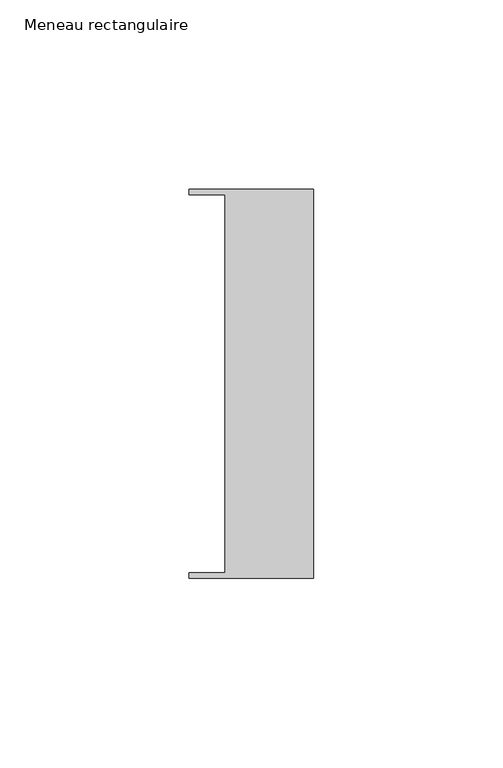
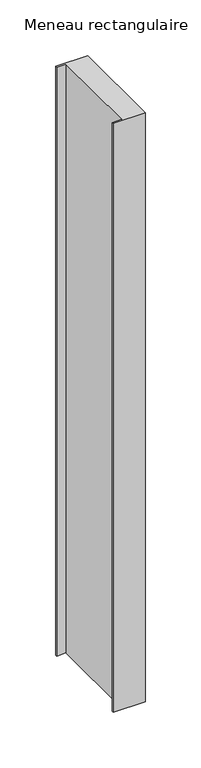
"""IFC4 building model written with IfcOpenShell, lengths in millimetres: member geometry, Meneau rectangulaire."""

from ifc_helpers import new_model, si_unit, frame, origin, place, context, project, spatial, polyline, outline, extrude, source, transform, mapped, element, save


def meneau_rectangulaire_423087f4(model_context):
    return source(origin(), model_context, "Body", "SweptSolid", [
        extrude(outline(polyline([(-33.0, 51.4622428), (0.0, 51.4622428), (0.0, -51.4712299), (-33.0, -51.4712299), (-33.0, -49.9505712), (-23.4, -49.9505712), (-23.4, 49.9614402), (-33.0, 49.9614402), (-33.0, 51.4622428)])), frame((0.0, 0.0, -644.4849432), z_axis=(0.0, 0.0, 1.0), x_axis=(1.0, 0.0, 0.0)), (0.0, 0.0, 1.0), 644.4849432),
    ])


if __name__ == "__main__":
    model = new_model("IFC4")
    model_context = context("Model", 3, world=origin())
    ifc_project = project(units=[si_unit("LENGTHUNIT", "METRE", prefix="MILLI")], contexts=[model_context])
    site = spatial("IfcSite", under=ifc_project)
    building = spatial("IfcBuilding", under=site)
    placement = place(None, origin())
    meneau_rectangulaire_shape = meneau_rectangulaire_423087f4(model_context)
    element("IfcMember", 1, ObjectType="Meneau rectangulaire", at=placement, inside=building, context=model_context, shape_type="MappedRepresentation", body=[
        mapped(meneau_rectangulaire_shape, transform((0.0, 0.0, 0.0), x_axis=(1.0, 0.0, 0.0), y_axis=(0.0, 1.0, 0.0), z_axis=(0.0, 0.0, 1.0))),
    ])
    save(model, "model.ifc")
